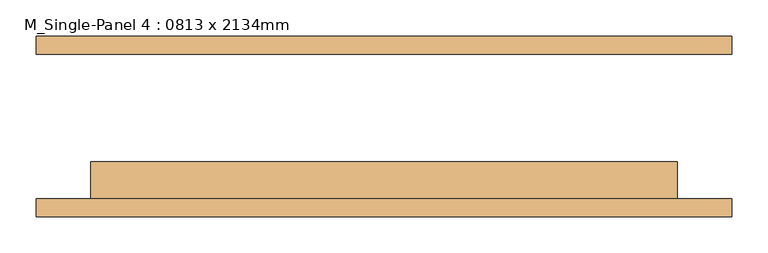
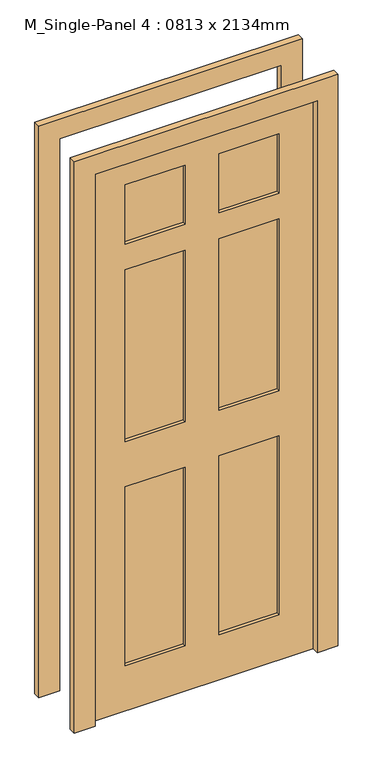
"""IFC4 building model written with IfcOpenShell, lengths in millimetres: door geometry, M_Single-Panel 4 : 0813 x 2134mm."""

from ifc_helpers import new_model, si_unit, frame, origin, place, context, project, spatial, polyline, outline, extrude, source, transform, mapped, element, save


def m_single_panel_4_0813_x_2134mm_17788fc8(model_context):
    return source(origin(), model_context, "Body", "SweptSolid", [
        extrude(outline(polyline([(0.0, -482.5), (0.0, -406.5), (2134.0, -406.5), (2134.0, 406.5), (0.0, 406.5), (0.0, 482.5), (2210.0, 482.5), (2210.0, -482.5), (0.0, -482.5)])), frame((0.0, 100.0, 0.0), z_axis=(0.0, 1.0, 0.0), x_axis=(0.0, 0.0, 1.0)), (0.0, 0.0, 1.0), 25.0),
        extrude(outline(polyline([(0.0, 482.5), (2210.0, 482.5), (2210.0, -482.5), (0.0, -482.5), (0.0, -406.5), (2134.0, -406.5), (2134.0, 406.5), (0.0, 406.5), (0.0, 482.5)])), frame((0.0, -125.4, 0.0), z_axis=(0.0, 1.0, 0.0), x_axis=(0.0, 0.0, 1.0)), (0.0, 0.0, 1.0), 25.0),
        extrude(outline(polyline([(-62.5, -61.7), (-62.5, -87.3), (-281.5, -87.3), (-281.5, -61.7), (-62.5, -61.7)])), frame((0.0, 0.0, 1805.4), z_axis=(0.0, 0.0, 1.0), x_axis=(1.0, 0.0, 0.0)), (0.0, 0.0, 1.0), 228.6),
        extrude(outline(polyline([(281.5, -61.7), (281.5, -87.3), (62.5, -87.3), (62.5, -61.7), (281.5, -61.7)])), frame((0.0, 0.0, 1805.4), z_axis=(0.0, 0.0, 1.0), x_axis=(1.0, 0.0, 0.0)), (0.0, 0.0, 1.0), 228.6),
        extrude(outline(polyline([(-62.5, -61.7), (-62.5, -87.3), (-281.5, -87.3), (-281.5, -61.7), (-62.5, -61.7)])), frame((0.0, 0.0, 1041.4), z_axis=(0.0, 0.0, 1.0), x_axis=(1.0, 0.0, 0.0)), (0.0, 0.0, 1.0), 664.0),
        extrude(outline(polyline([(281.5, -61.7), (281.5, -87.3), (62.5, -87.3), (62.5, -61.7), (281.5, -61.7)])), frame((0.0, 0.0, 1041.4), z_axis=(0.0, 0.0, 1.0), x_axis=(1.0, 0.0, 0.0)), (0.0, 0.0, 1.0), 664.0),
        extrude(outline(polyline([(-62.5, -61.7), (-62.5, -87.3), (-281.5, -87.3), (-281.5, -61.7), (-62.5, -61.7)])), frame((0.0, 0.0, 175.0), z_axis=(0.0, 0.0, 1.0), x_axis=(1.0, 0.0, 0.0)), (0.0, 0.0, 1.0), 691.4),
        extrude(outline(polyline([(281.5, -61.7), (281.5, -87.3), (62.5, -87.3), (62.5, -61.7), (281.5, -61.7)])), frame((0.0, 0.0, 175.0), z_axis=(0.0, 0.0, 1.0), x_axis=(1.0, 0.0, 0.0)), (0.0, 0.0, 1.0), 691.4),
        extrude(outline(polyline([(2134.0, 406.5), (2134.0, -406.5), (0.0, -406.5), (0.0, 406.5), (2134.0, 406.5)]), holes=[polyline([(2034.0, -62.5), (1805.4, -62.5), (1805.4, -281.5), (2034.0, -281.5), (2034.0, -62.5)]), polyline([(2034.0, 281.5), (1805.4, 281.5), (1805.4, 62.5), (2034.0, 62.5), (2034.0, 281.5)]), polyline([(1705.4, -62.5), (1041.4, -62.5), (1041.4, -281.5), (1705.4, -281.5), (1705.4, -62.5)]), polyline([(1705.4, 281.5), (1041.4, 281.5), (1041.4, 62.5), (1705.4, 62.5), (1705.4, 281.5)]), polyline([(866.4, -62.5), (175.0, -62.5), (175.0, -281.5), (866.4, -281.5), (866.4, -62.5)]), polyline([(866.4, 281.5), (175.0, 281.5), (175.0, 62.5), (866.4, 62.5), (866.4, 281.5)])]), frame((0.0, -100.0, 0.0), z_axis=(0.0, 1.0, 0.0), x_axis=(0.0, 0.0, 1.0)), (0.0, 0.0, 1.0), 51.0),
    ])


if __name__ == "__main__":
    model = new_model("IFC4")
    model_context = context("Model", 3, world=origin())
    ifc_project = project(units=[si_unit("LENGTHUNIT", "METRE", prefix="MILLI")], contexts=[model_context])
    site = spatial("IfcSite", under=ifc_project)
    building = spatial("IfcBuilding", under=site)
    placement = place(None, origin())
    m_single_panel_4_0813_x_2134mm_shape = m_single_panel_4_0813_x_2134mm_17788fc8(model_context)
    element("IfcDoor", 1, ObjectType="M_Single-Panel 4 : 0813 x 2134mm", at=placement, inside=building, context=model_context, shape_type="MappedRepresentation", body=[
        mapped(m_single_panel_4_0813_x_2134mm_shape, transform((0.0, 0.0, 0.0), x_axis=(1.0, 0.0, 0.0), y_axis=(0.0, 1.0, 0.0), z_axis=(0.0, 0.0, 1.0))),
    ])
    save(model, "model.ifc")
